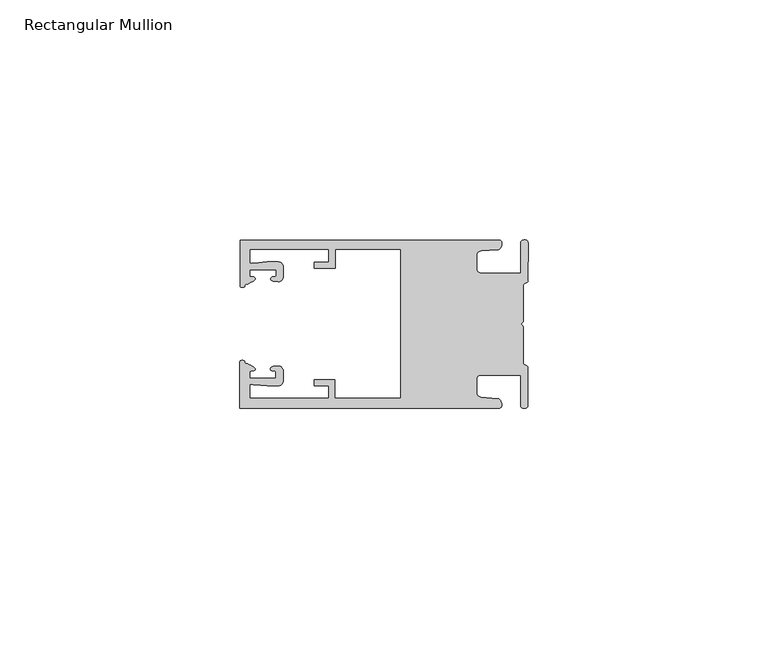
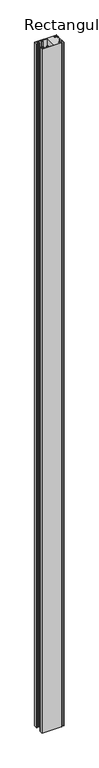
"""IFC4 building model written with IfcOpenShell, lengths in millimetres: member geometry, Rectangular Mullion."""

import ifcopenshell
import ifcopenshell.guid

model = None  # the IFC model being written
_history = None  # IfcOwnerHistory: only IFC2X3 demands one
_inside = {}  # id of a spatial element -> (the spatial element, [elements in it])
_under = {}  # id of a project, library or spatial element -> (it, [spatial elements below it])
_declared = {}  # id of a project -> (the project, [libraries it declares])
_typed = {}  # id of a type object -> (the type object, [elements of that type])
_made_of = {}  # id of a material, layer set ... -> (it, [elements and type objects made of it])


def new_model(schema):
    """Start an empty IFC model of exactly this schema.

    Asked for "IFC4X3", IfcOpenShell would pick the latest addendum, in which some entities
    have other attributes; the version numbers below select the first issue.
    IFC2X3 requires an IfcOwnerHistory on every rooted entity: one is made here for all.
    """
    global model, _history
    if schema == "IFC4X3":
        model = ifcopenshell.file(schema_version=(4, 3, 0, 0))
    else:
        model = ifcopenshell.file(schema=schema)
    _inside.clear()
    _under.clear()
    _declared.clear()
    _typed.clear()
    _made_of.clear()
    _history = None
    if model.schema == "IFC2X3":
        org = make("IfcOrganization", Name="unknown")
        user = make(
            "IfcPersonAndOrganization",
            ThePerson=make("IfcPerson", FamilyName="unknown"),
            TheOrganization=org,
        )
        app = make(
            "IfcApplication",
            ApplicationDeveloper=org,
            Version="unknown",
            ApplicationFullName="unknown",
            ApplicationIdentifier="unknown",
        )
        _history = make(
            "IfcOwnerHistory",
            OwningUser=user,
            OwningApplication=app,
            ChangeAction="ADDED",
            CreationDate=0,
        )
    return model


def make(cls, **values):
    """One entity of the class cls with the attributes given. An attribute that is None is left unset."""
    return model.create_entity(
        cls, **{name: value for name, value in values.items() if value is not None}
    )


def rooted(cls, **values):
    """An entity with a GlobalId (a new one), such as an element, a storey or a relation."""
    return make(cls, GlobalId=ifcopenshell.guid.new(), OwnerHistory=_history, **values)


def si_unit(unit_type, name, prefix=None):
    """IfcSIUnit, for example si_unit("LENGTHUNIT", "METRE", prefix="MILLI")."""
    return make("IfcSIUnit", UnitType=unit_type, Prefix=prefix, Name=name)


def assignment(units):
    """IfcUnitAssignment: the units of a project."""
    return None if units is None else make("IfcUnitAssignment", Units=units)


def point(xyz):
    """IfcCartesianPoint."""
    return None if xyz is None else make("IfcCartesianPoint", Coordinates=xyz)


def direction(xyz):
    """IfcDirection."""
    return None if xyz is None else make("IfcDirection", DirectionRatios=xyz)


def frame(location, z_axis=None, x_axis=None):
    """IfcAxis2Placement3D, a coordinate frame: its origin and axes. An axis left out is left unset."""
    return make(
        "IfcAxis2Placement3D",
        Location=point(location),
        Axis=direction(z_axis),
        RefDirection=direction(x_axis),
    )


def origin():
    """The frame at (0, 0, 0) with its axes left unset."""
    return frame((0.0, 0.0, 0.0))


def place(relative_to, where):
    """IfcLocalPlacement: puts the frame where relative to a parent placement (None: the world)."""
    return make(
        "IfcLocalPlacement", PlacementRelTo=relative_to, RelativePlacement=where
    )


def context(
    kind, dimensions, precision=None, world=None, true_north=None, identifier=None
):
    """IfcGeometricRepresentationContext, for example the 3D "Model" context."""
    return make(
        "IfcGeometricRepresentationContext",
        ContextIdentifier=identifier,
        ContextType=kind,
        CoordinateSpaceDimension=dimensions,
        Precision=precision,
        WorldCoordinateSystem=world,
        TrueNorth=true_north,
    )


def project(units=None, contexts=None):
    """IfcProject with its units and contexts."""
    return rooted(
        "IfcProject",
        Name="project",
        RepresentationContexts=contexts,
        UnitsInContext=assignment(units),
    )


def spatial(cls, under=None, at=None, **own):
    """A site, building, storey or space (cls), placed at a placement, below another one or the project."""
    s = rooted(cls, ObjectPlacement=at, **own)
    if under is not None:
        _under.setdefault(under.id(), (under, []))[1].append(s)
    return s


def circle_curve(where, radius):
    """IfcCircle in the frame where."""
    return make("IfcCircle", Position=where, Radius=radius)


def shape(context_of_items, identifier, shape_type, items):
    """IfcShapeRepresentation: the items that make up one representation, for example the "Body"."""
    return make(
        "IfcShapeRepresentation",
        ContextOfItems=context_of_items,
        RepresentationIdentifier=identifier,
        RepresentationType=shape_type,
        Items=items,
    )


def source(mapping_origin, context_of_items, identifier, shape_type, items):
    """IfcRepresentationMap: a shape defined once, which mapped items show again and again."""
    return make(
        "IfcRepresentationMap",
        MappingOrigin=mapping_origin,
        MappedRepresentation=shape(context_of_items, identifier, shape_type, items),
    )


def transform(
    local_origin,
    x_axis=None,
    y_axis=None,
    z_axis=None,
    scale=None,
    scale2=None,
    scale3=None,
    uniform=True,
):
    """IfcCartesianTransformationOperator3D, or its non-uniform kind. x_axis, y_axis, z_axis: its Axis1, 2, 3."""
    if uniform:
        return make(
            "IfcCartesianTransformationOperator3D",
            Axis1=direction(x_axis),
            Axis2=direction(y_axis),
            LocalOrigin=point(local_origin),
            Scale=scale,
            Axis3=direction(z_axis),
        )
    return make(
        "IfcCartesianTransformationOperator3DnonUniform",
        Axis1=direction(x_axis),
        Axis2=direction(y_axis),
        LocalOrigin=point(local_origin),
        Scale=scale,
        Axis3=direction(z_axis),
        Scale2=scale2,
        Scale3=scale3,
    )


def mapped(mapping_source, mapping_target):
    """IfcMappedItem: shows the shape of a source again, moved by a transform."""
    return make(
        "IfcMappedItem", MappingSource=mapping_source, MappingTarget=mapping_target
    )


def made_of(thing, what):
    """Note that an element or type object is made of a material, layer set ...; save() writes the relation."""
    if what is not None:
        _made_of.setdefault(what.id(), (what, []))[1].append(thing)
    return thing


def element(
    cls,
    number,
    at=None,
    inside=None,
    cuts=None,
    type_object=None,
    material=None,
    context=None,
    identifier="Body",
    shape_type=None,
    held_by="IfcProductDefinitionShape",
    body=None,
    shapes=None,
    **own,
):
    """One element of the class cls, such as IfcWall. Its Tag is "e" and its number.

    at: its placement. inside: the storey or other place that contains it. cuts: it is an
    opening in that element (IfcRelVoidsElement). A single representation is given by context,
    identifier, shape_type and body (its items); several are given by shapes. held_by: the class
    of the entity that holds the representations. save() writes the other relations.
    """
    e = rooted(cls, Tag="e%d" % number, ObjectPlacement=at, **own)
    if body is not None:
        shapes = [shape(context, identifier, shape_type, body)]
    if shapes is not None:
        e.Representation = make(held_by, Representations=shapes)
    if inside is not None:
        _inside.setdefault(inside.id(), (inside, []))[1].append(e)
    if cuts is not None:
        rooted(
            "IfcRelVoidsElement", RelatingBuildingElement=cuts, RelatedOpeningElement=e
        )
    if type_object is not None:
        _typed.setdefault(type_object.id(), (type_object, []))[1].append(e)
    return made_of(e, material)


def aggregate(whole, parts):
    """IfcRelAggregates: a whole, such as a stair, and the parts it consists of."""
    return rooted("IfcRelAggregates", RelatingObject=whole, RelatedObjects=parts)


def save(model, path):
    """Write the relations noted so far, then the file.

    IfcRelAggregates (storeys below a building ...), IfcRelContainedInSpatialStructure (elements
    in a storey), IfcRelDefinesByType, IfcRelAssociatesMaterial and IfcRelDeclares: one each for
    every whole, place, type object, material and project.
    """
    for whole, parts in _under.values():
        aggregate(whole, parts)
    for where, things in _inside.values():
        rooted(
            "IfcRelContainedInSpatialStructure",
            RelatedElements=things,
            RelatingStructure=where,
        )
    for kind, things in _typed.values():
        rooted("IfcRelDefinesByType", RelatedObjects=things, RelatingType=kind)
    for what, things in _made_of.values():
        rooted("IfcRelAssociatesMaterial", RelatedObjects=things, RelatingMaterial=what)
    for by, libraries in _declared.values():
        rooted("IfcRelDeclares", RelatingContext=by, RelatedDefinitions=libraries)
    model.write(path)


def plane_surface(at):
    """IfcPlane: the flat surface through the origin of the frame at, square to its z axis."""
    return make("IfcPlane", Position=at)


def cylinder_surface(at, radius):
    """IfcCylindricalSurface: all points at the distance radius from the z axis of the frame at."""
    return make("IfcCylindricalSurface", Position=at, Radius=radius)


def extruded_surface(curve, direction_of_extrusion, depth):
    """IfcSurfaceOfLinearExtrusion: the curve pushed along a direction by depth."""
    return make(
        "IfcSurfaceOfLinearExtrusion",
        SweptCurve=make("IfcArbitraryOpenProfileDef", ProfileType="CURVE", Curve=curve),
        ExtrudedDirection=direction(direction_of_extrusion),
        Depth=depth,
    )


def spline_curve(degree, points, multiplicities, knots, weights=None):
    """IfcBSplineCurveWithKnots; with weights, IfcRationalBSplineCurveWithKnots."""
    own = dict(
        Degree=degree,
        ControlPointsList=[point(p) for p in points],
        CurveForm="UNSPECIFIED",
        ClosedCurve=False,
        SelfIntersect=False,
        KnotMultiplicities=multiplicities,
        Knots=knots,
        KnotSpec="UNSPECIFIED",
    )
    if weights is None:
        return make("IfcBSplineCurveWithKnots", **own)
    return make("IfcRationalBSplineCurveWithKnots", WeightsData=weights, **own)


def advanced_brep(points, edges, surfaces, faces):
    """IfcAdvancedBrep: a solid bounded by faces that lie on surfaces and meet in shared edges.

    An edge is (start, end): straight between two places in points (the first is 0);
    or (start, end, curve); or (start, end, curve, False) where it runs against its curve.
    A face is (place in surfaces, loops), or (place, loops, False) where it looks against
    its surface's normal. A loop lists edges by number (the first is 1), with a minus sign
    where the edge is run from its end to its start. The first loop is the outer one.
    """
    corners = [point(p) for p in points]
    vertices = [make("IfcVertexPoint", VertexGeometry=c) for c in corners]
    made = []
    for start, end, *more in edges:
        made.append(
            make(
                "IfcEdgeCurve",
                EdgeStart=vertices[start],
                EdgeEnd=vertices[end],
                EdgeGeometry=more[0] if more else make("IfcPolyline", Points=[corners[start], corners[end]]),
                SameSense=more[1] if len(more) > 1 else True,
            )
        )
    hull = []
    for where, loops, *sense in faces:
        bounds = []
        for j, loop in enumerate(loops):
            ring = [make("IfcOrientedEdge", EdgeElement=made[abs(k) - 1], Orientation=k > 0) for k in loop]
            bounds.append(
                make(
                    "IfcFaceOuterBound" if j == 0 else "IfcFaceBound",
                    Bound=make("IfcEdgeLoop", EdgeList=ring),
                    Orientation=True,
                )
            )
        hull.append(make("IfcAdvancedFace", Bounds=bounds, FaceSurface=surfaces[where], SameSense=sense[0] if sense else True))
    return make("IfcAdvancedBrep", Outer=make("IfcClosedShell", CfsFaces=hull))


def rectangular_mullion_9fa61c9e(model_context):
    return source(origin(), model_context, "Body", "AdvancedBrep", [
        advanced_brep(
        [(-60.0749377, 17.5111528, 0.0), (-60.0749377, 8.0140787, 0.0), (-59.3252567, 7.7187455, 0.0), (-58.4967974, 8.36785, 0.0), (-58.0726619, 10.1173923, 0.0), (-58.0713101, 11.3673916, 0.0), (-52.5713133, 11.3614437, 0.0), (-52.5726651, 10.1114444, 0.0), (-53.1427626, 8.8955539, 0.0), (-52.0740172, 8.8609044, 0.0), (-51.0729364, 9.8598224, 0.0), (-51.0706653, 11.9598211, 0.0), (-52.0700692, 12.9609024, 0.0), (-54.3905105, 12.9622843, 0.0), (-57.1599646, 12.7230061, 0.0), (-58.0696339, 12.9173907, 0.0), (-58.066768, 15.5673891, 0.0), (-41.5667584, 15.5673891, 0.0), (-41.5695894, 12.9495468, 0.0), (-44.5695877, 12.9527912, 0.0), (-44.5709936, 11.6527919, 0.0), (-40.2709961, 11.6481417, 0.0), (-40.2667576, 15.5673891, 0.0), (-26.6002952, 15.5673891, 0.0), (-26.6002952, -15.4518424, 0.0), (-40.3003032, -15.4518424, 0.0), (-40.2960856, -11.5518447, 0.0), (-44.5960831, -11.5471945, 0.0), (-44.597489, -12.8471938, 0.0), (-41.5974907, -12.8504381, 0.0), (-41.6003025, -15.4504366, 0.0), (-58.1002928, -15.4325927, 0.0), (-58.097427, -12.7825943, 0.0), (-57.1873395, -12.5901776, 0.0), (-54.4184094, -12.8354453, 0.0), (-52.0979705, -12.8390822, 0.0), (-51.0964037, -11.8401649, 0.0), (-51.0941327, -9.7401662, 0.0), (-52.0930507, -8.7390853, 0.0), (-53.1618685, -8.7714231, 0.0), (-52.5944022, -9.9885439, 0.0), (-52.595754, -11.2385431, 0.0), (-58.0957508, -11.2325952, 0.0), (-58.094399, -9.9825959, 0.0), (-58.5147494, -8.2321403, 0.0), (-59.3418028, -7.5812455, 0.0), (-60.0921208, -7.8749565, 0.0), (-60.0921208, -17.4888267, 0.0), (-6.1024861, -17.4888267, 0.0), (-6.5218639, -15.488372, 0.0), (-9.8784944, -15.2205466, 0.0), (-10.7989567, -14.2226333, 0.0), (-10.7961029, -11.5837474, 0.0), (-9.8734844, -10.5878272, 0.0), (-1.5950266, -10.5934991, 0.0), (-1.601948, -16.9936935, 0.0), (-0.1017194, -16.7830581, 0.0), (-0.0933208, -9.0170082, 0.0), (-1.0923837, -8.1499018, 0.0), (-1.0842165, -0.5977972, 0.0), (-1.0829111, 0.6093089, 0.0), (-1.0747439, 8.1614135, 0.0), (-0.0738079, 9.026357, 0.0), (-0.0654093, 16.7924069, 0.0), (-1.5651789, 17.0062866, 0.0), (-1.5651789, 10.6183257, 0.0), (-9.8505511, 10.6183257, 0.0), (-10.7710133, 11.6162391, 0.0), (-10.7681595, 14.255125, 0.0), (-9.845541, 15.2510452, 0.0), (-6.4883391, 15.5116099, 0.0), (-6.0646356, 17.5111528, 0.0), (-60.0749377, 17.5111528, -1981.2), (-6.0646356, 17.5111528, -1981.2), (-6.4883391, 15.5116099, -1981.2), (-9.845541, 15.2510452, -1981.2), (-10.7681595, 14.255125, -1981.2), (-10.7710133, 11.6162391, -1981.2), (-9.8505511, 10.6183257, -1981.2), (-1.5651789, 10.6183257, -1981.2), (-1.5651789, 17.0062866, -1981.2), (-0.0654093, 16.7924069, -1981.2), (-0.0738079, 9.026357, -1981.2), (-1.0747439, 8.1614135, -1981.2), (-1.0829111, 0.6093089, -1981.2), (-1.0842165, -0.5977972, -1981.2), (-1.0923837, -8.1499018, -1981.2), (-0.0933208, -9.0170082, -1981.2), (-0.1017194, -16.7830581, -1981.2), (-1.601948, -16.9936935, -1981.2), (-1.5950266, -10.5934991, -1981.2), (-9.8734844, -10.5878272, -1981.2), (-10.7961029, -11.5837474, -1981.2), (-10.7989567, -14.2226333, -1981.2), (-9.8784944, -15.2205466, -1981.2), (-6.5218639, -15.488372, -1981.2), (-6.1024861, -17.4888267, -1981.2), (-60.0921208, -17.4888267, -1981.2), (-60.0921208, -7.8749565, -1981.2), (-59.3418028, -7.5812455, -1981.2), (-58.5147494, -8.2321403, -1981.2), (-58.094399, -9.9825959, -1981.2), (-58.0957508, -11.2325952, -1981.2), (-52.595754, -11.2385431, -1981.2), (-52.5944022, -9.9885439, -1981.2), (-53.1618685, -8.7714231, -1981.2), (-52.0930507, -8.7390853, -1981.2), (-51.0941327, -9.7401662, -1981.2), (-51.0964037, -11.8401649, -1981.2), (-52.0979705, -12.8390823, -1981.2), (-54.4184094, -12.8354453, -1981.2), (-57.1873395, -12.5901776, -1981.2), (-58.097427, -12.7825943, -1981.2), (-58.1002928, -15.4325927, -1981.2), (-41.6003025, -15.4504366, -1981.2), (-41.5974907, -12.8504381, -1981.2), (-44.597489, -12.8471938, -1981.2), (-44.5960831, -11.5471945, -1981.2), (-40.2960856, -11.5518447, -1981.2), (-40.3003032, -15.4518424, -1981.2), (-26.6002952, -15.4518424, -1981.2), (-26.6002952, 15.5673891, -1981.2), (-40.2667576, 15.5673891, -1981.2), (-40.2709961, 11.6481417, -1981.2), (-44.5709936, 11.6527919, -1981.2), (-44.5695877, 12.9527912, -1981.2), (-41.5695894, 12.9495468, -1981.2), (-41.5667584, 15.5673891, -1981.2), (-58.066768, 15.5673891, -1981.2), (-58.0696339, 12.9173907, -1981.2), (-57.1599646, 12.7230061, -1981.2), (-54.3905105, 12.9622843, -1981.2), (-52.0700692, 12.9609023, -1981.2), (-51.0706653, 11.9598211, -1981.2), (-51.0729364, 9.8598224, -1981.2), (-52.0740172, 8.8609044, -1981.2), (-53.1427626, 8.8955539, -1981.2), (-52.5726651, 10.1114444, -1981.2), (-52.5713133, 11.3614437, -1981.2), (-58.0713101, 11.3673916, -1981.2), (-58.0726619, 10.1173923, -1981.2), (-58.4967974, 8.36785, -1981.2), (-59.3252567, 7.7187455, -1981.2), (-60.0749377, 8.0140787, -1981.2)],
        [
            (0, 1),
            (1, 2, spline_curve(3, [(-60.0749377, 8.0140787, 0.0), (-60.075233123, 7.740904774, 0.0), (-59.825339491, 7.642460332, 0.0), (-59.3252567, 7.7187455, 0.0)], [4, 4], [0.0, 0.0019169337574178654])),
            (2, 3, spline_curve(3, [(-59.3252567, 7.7187455, 0.0), (-59.094460914, 7.75918372, 0.0), (-59.054835463, 7.902257199, 0.0), (-59.05559987, 8.233305614, 0.0), (-59.138729113, 8.4134359, 0.0), (-58.4967974, 8.36785, 0.0)], [4, 2, 4], [0.0, 0.0010199524164107188, 0.0024874514725970356])),
            (3, 4, spline_curve(3, [(-58.4967974, 8.36785, 0.0), (-57.022393378, 9.053435667, 0.0), (-56.827266887, 9.364828726, 0.0), (-56.982213078, 9.742623404, 0.0), (-57.177375211, 9.855581791, 0.0), (-57.697928101, 9.887955071, 0.0), (-57.997449153, 9.835475348, 0.0), (-58.0726619, 10.1173923, 0.0)], [4, 2, 2, 4], [0.0, 0.003269869179570428, 0.005490050486237203, 0.0073545767114364426])),
            (4, 5),
            (5, 6),
            (6, 7),
            (7, 8, spline_curve(3, [(-52.5726651, 10.1114444, 0.0), (-52.667195519, 9.760172042, 0.0), (-52.937094388, 9.861877724, 0.0), (-53.356237032, 9.895631753, 0.0), (-53.491940439, 9.811038713, 0.0), (-53.761900775, 9.511438033, 0.0), (-53.892893546, 9.278787104, 0.0), (-53.1427626, 8.8955539, 0.0)], [4, 2, 2, 4], [0.0, 0.001593963049934732, 0.0033360256320283306, 0.005339140673503943])),
            (8, 9),
            (9, 10, circle_curve(frame((-52.0729358, 9.8609038, 0.0), z_axis=(0.0, 0.0, 1.0), x_axis=(-0.0010814451158600304, -0.9999994152380598, 0.0)), 1.0)),
            (10, 11),
            (11, 12, circle_curve(frame((-52.0706647, 11.9609026, 0.0), z_axis=(0.0, 0.0, 1.0), x_axis=(-0.0010814451158600304, -0.9999994152380598, 0.0)), 1.0)),
            (12, 13),
            (13, 14),
            (14, 15, spline_curve(3, [(-57.1599646, 12.7230061, 0.0), (-57.631533854, 12.682262968, 0.0), (-58.018602985, 12.477800124, 0.0), (-58.0696339, 12.9173907, 0.0)], [4, 4], [0.0, 0.0014803385355886016])),
            (15, 16),
            (16, 17),
            (17, 18),
            (18, 19),
            (19, 20),
            (20, 21),
            (21, 22),
            (22, 23),
            (23, 24),
            (24, 25),
            (25, 26),
            (26, 27),
            (27, 28),
            (28, 29),
            (29, 30),
            (30, 31),
            (31, 32),
            (32, 33, spline_curve(3, [(-58.097427, -12.7825943, 0.0), (-58.045445419, -12.343115126, 0.0), (-57.658819528, -12.548414611, 0.0), (-57.1873395, -12.5901776, 0.0)], [4, 4], [0.0, 0.0014803385355886016])),
            (33, 34),
            (34, 35),
            (35, 36, circle_curve(frame((-52.0964031, -11.8390835, 0.0), z_axis=(0.0, 0.0, 1.0), x_axis=(0.0010814451158600304, 0.9999994152380598, 0.0)), 1.0)),
            (36, 37),
            (37, 38, circle_curve(frame((-52.0941321, -9.7390847, 0.0), z_axis=(0.0, 0.0, 1.0), x_axis=(0.0010814451158600304, 0.9999994152380598, 0.0)), 1.0)),
            (38, 39),
            (39, 40, spline_curve(3, [(-53.1618685, -8.7714231, 0.0), (-53.912826582, -9.153032958, 0.0), (-53.782337352, -9.385966711, 0.0), (-53.51302565, -9.686150585, 0.0), (-53.377505444, -9.771037009, 0.0), (-52.958290774, -9.738189618, 0.0), (-52.688172635, -9.637067904, 0.0), (-52.5944022, -9.9885439, 0.0)], [4, 2, 2, 4], [0.0, 0.002003115041475612, 0.0037451776235692107, 0.005339140673503943])),
            (40, 41),
            (41, 42),
            (42, 43),
            (43, 44, spline_curve(3, [(-58.094399, -9.9825959, 0.0), (-58.018576674, -9.700842284, 0.0), (-57.719169706, -9.753969703, 0.0), (-57.198548014, -9.722722397, 0.0), (-57.003142178, -9.61018632, 0.0), (-56.847379222, -9.232727657, 0.0), (-57.041831673, -8.920913336, 0.0), (-58.5147494, -8.2321403, 0.0)], [4, 2, 2, 4], [0.0, 0.0018645262251992395, 0.004084707531866015, 0.0073545767114364426])),
            (44, 45, spline_curve(3, [(-58.5147494, -8.2321403, 0.0), (-59.156778208, -8.276337666, 0.0), (-59.073259494, -8.096387681, 0.0), (-59.071779067, -7.765341694, 0.0), (-59.111095017, -7.622182811, 0.0), (-59.3418028, -7.5812455, 0.0)], [4, 2, 4], [0.0, 0.0014674990561863168, 0.0024874514725970356])),
            (45, 46, spline_curve(3, [(-59.3418028, -7.5812455, 0.0), (-59.841719425, -7.503878887, 0.0), (-60.091825377, -7.601782574, 0.0), (-60.0921208, -7.8749565, 0.0)], [4, 4], [0.0, 0.0019169337574178654])),
            (46, 47),
            (47, 48),
            (48, 49, spline_curve(3, [(-6.1024861, -17.4888267, 0.0), (-5.074532184, -17.418062188, 0.0), (-5.631140689, -15.411414367, 0.0), (-6.5218639, -15.488372, 0.0)], [4, 4], [0.0, 0.0043819361547461745])),
            (49, 50),
            (50, 51, spline_curve(3, [(-9.8784944, -15.2205466, 0.0), (-10.440691543, -15.150698463, 0.0), (-10.74751234, -14.818060727, 0.0), (-10.7989567, -14.2226333, 0.0)], [4, 4], [0.0, 0.0028645797420738927])),
            (51, 52),
            (52, 53, spline_curve(3, [(-10.7961029, -11.5837474, 0.0), (-10.743370817, -10.988432634, 0.0), (-10.435831301, -10.656459204, 0.0), (-9.8734844, -10.5878272, 0.0)], [4, 4], [0.0, 0.0028645797420738927])),
            (53, 54),
            (54, 55),
            (55, 56, spline_curve(3, [(-1.601948, -16.9936935, 0.0), (-1.655676874, -17.600261454, 0.0), (-0.043737403, -17.912795581, 0.0), (-0.1017194, -16.7830581, 0.0)], [4, 4], [0.0, 0.0036987374396357936])),
            (56, 57),
            (57, 58, spline_curve(3, [(-0.0933208, -9.0170082, 0.0), (-0.018818183, -8.695886697, 0.0), (-1.193434327, -8.459763043, 0.0), (-1.0923837, -8.1499018, 0.0)], [4, 4], [0.0, 0.002027216749630121])),
            (58, 59),
            (59, 60, spline_curve(3, [(-1.0842165, -0.5977972, 0.0), (-1.013223198, -0.445980437, 0.0), (-1.487945123, -0.206736825, 0.0), (-1.487409651, 0.231097965, 0.0), (-0.999110985, 0.429090391, 0.0), (-1.0829111, 0.6093089, 0.0)], [4, 2, 4], [0.0, 0.00249866671847065, 0.005031402919736269])),
            (60, 61),
            (61, 62, spline_curve(3, [(-1.0747439, 8.1614135, 0.0), (-1.175124095, 8.47149258, 0.0), (-7e-09, 8.705075107, 0.0), (-0.0738079, 9.026357, 0.0)], [4, 4], [0.0, 0.002027216749630121])),
            (62, 63),
            (63, 64, spline_curve(3, [(-0.0654093, 16.7924069, 0.0), (-0.004983942, 17.92201633, 0.0), (-1.617595709, 17.612969344, 0.0), (-1.5651789, 17.0062866, 0.0)], [4, 4], [0.0, 0.0036987374396357936])),
            (64, 65),
            (65, 66),
            (66, 67, spline_curve(3, [(-9.8505511, 10.6183257, 0.0), (-10.412748243, 10.688173837, 0.0), (-10.71956894, 11.020811673, 0.0), (-10.7710133, 11.6162391, 0.0)], [4, 4], [0.0, 0.0028645797420738927])),
            (67, 68),
            (68, 69, spline_curve(3, [(-10.7681595, 14.255125, 0.0), (-10.715427417, 14.850439766, 0.0), (-10.407887901, 15.182413196, 0.0), (-9.845541, 15.2510452, 0.0)], [4, 4], [0.0, 0.0028645797420738927])),
            (69, 70),
            (70, 71, spline_curve(3, [(-6.4883391, 15.5116099, 0.0), (-5.597784423, 15.432725911, 0.0), (-5.036837144, 17.438165103, 0.0), (-6.0646356, 17.5111528, 0.0)], [4, 4], [0.0, 0.0043819361547461745])),
            (71, 0),
            (72, 73),
            (73, 74, spline_curve(3, [(-6.0646356, 17.5111528, -1981.2), (-5.036837144, 17.438165103, -1981.2), (-5.597784423, 15.432725911, -1981.2), (-6.4883391, 15.5116099, -1981.2)], [4, 4], [0.0, 0.0043819361547461745])),
            (74, 75),
            (75, 76, spline_curve(3, [(-9.845541, 15.2510452, -1981.2), (-10.407887901, 15.182413196, -1981.2), (-10.715427417, 14.850439766, -1981.2), (-10.7681595, 14.255125, -1981.2)], [4, 4], [0.0, 0.0028645797420738927])),
            (76, 77),
            (77, 78, spline_curve(3, [(-10.7710133, 11.6162391, -1981.2), (-10.71956894, 11.020811673, -1981.2), (-10.412748243, 10.688173837, -1981.2), (-9.8505511, 10.6183257, -1981.2)], [4, 4], [0.0, 0.0028645797420738927])),
            (78, 79),
            (79, 80),
            (80, 81, spline_curve(3, [(-1.5651789, 17.0062866, -1981.2), (-1.617595709, 17.612969344, -1981.2), (-0.004983942, 17.92201633, -1981.2), (-0.0654093, 16.7924069, -1981.2)], [4, 4], [0.0, 0.0036987374396357936])),
            (81, 82),
            (82, 83, spline_curve(3, [(-0.0738079, 9.026357, -1981.2), (-7e-09, 8.705075107, -1981.2), (-1.175124095, 8.47149258, -1981.2), (-1.0747439, 8.1614135, -1981.2)], [4, 4], [0.0, 0.002027216749630121])),
            (83, 84),
            (84, 85, spline_curve(3, [(-1.0829111, 0.6093089, -1981.2), (-0.999110985, 0.429090391, -1981.2), (-1.487409651, 0.231097965, -1981.2), (-1.487945123, -0.206736825, -1981.2), (-1.013223198, -0.445980437, -1981.2), (-1.0842165, -0.5977972, -1981.2)], [4, 2, 4], [0.0, 0.002532736201265619, 0.005031402919736269])),
            (85, 86),
            (86, 87, spline_curve(3, [(-1.0923837, -8.1499018, -1981.2), (-1.193434327, -8.459763043, -1981.2), (-0.018818183, -8.695886697, -1981.2), (-0.0933208, -9.0170082, -1981.2)], [4, 4], [0.0, 0.002027216749630121])),
            (87, 88),
            (88, 89, spline_curve(3, [(-0.1017194, -16.7830581, -1981.2), (-0.043737403, -17.912795581, -1981.2), (-1.655676874, -17.600261454, -1981.2), (-1.601948, -16.9936935, -1981.2)], [4, 4], [0.0, 0.0036987374396357936])),
            (89, 90),
            (90, 91),
            (91, 92, spline_curve(3, [(-9.8734844, -10.5878272, -1981.2), (-10.435831301, -10.656459204, -1981.2), (-10.743370817, -10.988432634, -1981.2), (-10.7961029, -11.5837474, -1981.2)], [4, 4], [0.0, 0.0028645797420738927])),
            (92, 93),
            (93, 94, spline_curve(3, [(-10.7989567, -14.2226333, -1981.2), (-10.74751234, -14.818060727, -1981.2), (-10.440691543, -15.150698463, -1981.2), (-9.8784944, -15.2205466, -1981.2)], [4, 4], [0.0, 0.0028645797420738927])),
            (94, 95),
            (95, 96, spline_curve(3, [(-6.5218639, -15.488372, -1981.2), (-5.631140689, -15.411414367, -1981.2), (-5.074532184, -17.418062188, -1981.2), (-6.1024861, -17.4888267, -1981.2)], [4, 4], [0.0, 0.0043819361547461745])),
            (96, 97),
            (97, 98),
            (98, 99, spline_curve(3, [(-60.0921208, -7.8749565, -1981.2), (-60.091825377, -7.601782574, -1981.2), (-59.841719425, -7.503878887, -1981.2), (-59.3418028, -7.5812455, -1981.2)], [4, 4], [0.0, 0.0019169337574178654])),
            (99, 100, spline_curve(3, [(-59.3418028, -7.5812455, -1981.2), (-59.111095017, -7.622182811, -1981.2), (-59.071779067, -7.765341694, -1981.2), (-59.073259494, -8.096387681, -1981.2), (-59.156778208, -8.276337666, -1981.2), (-58.5147494, -8.2321403, -1981.2)], [4, 2, 4], [0.0, 0.0010199524164107188, 0.0024874514725970356])),
            (100, 101, spline_curve(3, [(-58.5147494, -8.2321403, -1981.2), (-57.041831673, -8.920913336, -1981.2), (-56.847379222, -9.232727657, -1981.2), (-57.003142178, -9.61018632, -1981.2), (-57.198548014, -9.722722397, -1981.2), (-57.719169706, -9.753969703, -1981.2), (-58.018576674, -9.700842284, -1981.2), (-58.094399, -9.9825959, -1981.2)], [4, 2, 2, 4], [0.0, 0.003269869179570428, 0.005490050486237203, 0.0073545767114364426])),
            (101, 102),
            (102, 103),
            (103, 104),
            (104, 105, spline_curve(3, [(-52.5944022, -9.9885439, -1981.2), (-52.688172635, -9.637067904, -1981.2), (-52.958290774, -9.738189618, -1981.2), (-53.377505444, -9.771037009, -1981.2), (-53.51302565, -9.686150585, -1981.2), (-53.782337352, -9.385966711, -1981.2), (-53.912826582, -9.153032958, -1981.2), (-53.1618685, -8.7714231, -1981.2)], [4, 2, 2, 4], [0.0, 0.001593963049934732, 0.0033360256320283306, 0.005339140673503943])),
            (105, 106),
            (106, 107, circle_curve(frame((-52.0941321, -9.7390847, -1981.2), z_axis=(0.0, 0.0, -1.0), x_axis=(0.0010814451158600304, 0.9999994152380598, 0.0)), 1.0)),
            (107, 108),
            (108, 109, circle_curve(frame((-52.0964031, -11.8390835, -1981.2), z_axis=(0.0, 0.0, -1.0), x_axis=(0.0010814451158600304, 0.9999994152380598, 0.0)), 1.0)),
            (109, 110),
            (110, 111),
            (111, 112, spline_curve(3, [(-57.1873395, -12.5901776, -1981.2), (-57.658819528, -12.548414611, -1981.2), (-58.045445419, -12.343115126, -1981.2), (-58.097427, -12.7825943, -1981.2)], [4, 4], [0.0, 0.0014803385355886016])),
            (112, 113),
            (113, 114),
            (114, 115),
            (115, 116),
            (116, 117),
            (117, 118),
            (118, 119),
            (119, 120),
            (120, 121),
            (121, 122),
            (122, 123),
            (123, 124),
            (124, 125),
            (125, 126),
            (126, 127),
            (127, 128),
            (128, 129),
            (129, 130, spline_curve(3, [(-58.0696339, 12.9173907, -1981.2), (-58.018602985, 12.477800124, -1981.2), (-57.631533854, 12.682262968, -1981.2), (-57.1599646, 12.7230061, -1981.2)], [4, 4], [0.0, 0.0014803385355886016])),
            (130, 131),
            (131, 132),
            (132, 133, circle_curve(frame((-52.0706647, 11.9609026, -1981.2), z_axis=(0.0, 0.0, -1.0), x_axis=(-0.0010814451158600304, -0.9999994152380598, 0.0)), 1.0)),
            (133, 134),
            (134, 135, circle_curve(frame((-52.0729358, 9.8609038, -1981.2), z_axis=(0.0, 0.0, -1.0), x_axis=(-0.0010814451158600304, -0.9999994152380598, 0.0)), 1.0)),
            (135, 136),
            (136, 137, spline_curve(3, [(-53.1427626, 8.8955539, -1981.2), (-53.892893546, 9.278787104, -1981.2), (-53.761900775, 9.511438033, -1981.2), (-53.491940439, 9.811038713, -1981.2), (-53.356237032, 9.895631753, -1981.2), (-52.937094388, 9.861877724, -1981.2), (-52.667195519, 9.760172042, -1981.2), (-52.5726651, 10.1114444, -1981.2)], [4, 2, 2, 4], [0.0, 0.002003115041475612, 0.0037451776235692107, 0.005339140673503943])),
            (137, 138),
            (138, 139),
            (139, 140),
            (140, 141, spline_curve(3, [(-58.0726619, 10.1173923, -1981.2), (-57.997449153, 9.835475348, -1981.2), (-57.697928101, 9.887955071, -1981.2), (-57.177375211, 9.855581791, -1981.2), (-56.982213078, 9.742623404, -1981.2), (-56.827266887, 9.364828726, -1981.2), (-57.022393378, 9.053435667, -1981.2), (-58.4967974, 8.36785, -1981.2)], [4, 2, 2, 4], [0.0, 0.0018645262251992395, 0.004084707531866015, 0.0073545767114364426])),
            (141, 142, spline_curve(3, [(-58.4967974, 8.36785, -1981.2), (-59.138729113, 8.4134359, -1981.2), (-59.05559987, 8.233305614, -1981.2), (-59.054835463, 7.902257199, -1981.2), (-59.094460914, 7.75918372, -1981.2), (-59.3252567, 7.7187455, -1981.2)], [4, 2, 4], [0.0, 0.0014674990561863168, 0.0024874514725970356])),
            (142, 143, spline_curve(3, [(-59.3252567, 7.7187455, -1981.2), (-59.825339491, 7.642460332, -1981.2), (-60.075233123, 7.740904774, -1981.2), (-60.0749377, 8.0140787, -1981.2)], [4, 4], [0.0, 0.0019169337574178654])),
            (143, 72),
            (0, 72),
            (143, 1),
            (142, 2),
            (141, 3),
            (140, 4),
            (139, 5),
            (138, 6),
            (137, 7),
            (136, 8),
            (135, 9),
            (134, 10),
            (133, 11),
            (132, 12),
            (131, 13),
            (130, 14),
            (129, 15),
            (128, 16),
            (127, 17),
            (126, 18),
            (125, 19),
            (124, 20),
            (123, 21),
            (122, 22),
            (121, 23),
            (120, 24),
            (119, 25),
            (118, 26),
            (117, 27),
            (116, 28),
            (115, 29),
            (114, 30),
            (113, 31),
            (112, 32),
            (111, 33),
            (110, 34),
            (109, 35),
            (108, 36),
            (107, 37),
            (106, 38),
            (105, 39),
            (104, 40),
            (103, 41),
            (102, 42),
            (101, 43),
            (100, 44),
            (99, 45),
            (98, 46),
            (97, 47),
            (96, 48),
            (95, 49),
            (94, 50),
            (93, 51),
            (92, 52),
            (91, 53),
            (90, 54),
            (89, 55),
            (88, 56),
            (87, 57),
            (86, 58),
            (85, 59),
            (84, 60),
            (83, 61),
            (82, 62),
            (81, 63),
            (80, 64),
            (79, 65),
            (78, 66),
            (77, 67),
            (76, 68),
            (75, 69),
            (74, 70),
            (73, 71),
        ],
        [
            plane_surface(frame((0.0, -62.5853181, 0.0), z_axis=(0.0, 0.0, 1.0), x_axis=(-1.0, 0.0, 0.0))),
            plane_surface(frame((0.0, -62.5853181, -1981.2), z_axis=(0.0, 0.0, -1.0), x_axis=(-1.0, 0.0, 0.0))),
            plane_surface(frame((-60.0749377, 17.5111528, 0.0), z_axis=(-1.0, 0.0, 0.0), x_axis=(0.0, 0.0, -1.0))),
            extruded_surface(spline_curve(3, [(-60.0749377, 8.0140787, -1981.2), (-60.075233123, 7.740904774, -1981.2), (-59.825339491, 7.642460332, -1981.2), (-59.3252567, 7.7187455, -1981.2)], [4, 4], [0.0, 0.0019169337574178654]), (0.0, 0.0, 1981.2), 1981.2),
            extruded_surface(spline_curve(3, [(-59.3252567, 7.7187455, -1981.2), (-59.094460914, 7.75918372, -1981.2), (-59.054835463, 7.902257199, -1981.2), (-59.05559987, 8.233305614, -1981.2), (-59.138729113, 8.4134359, -1981.2), (-58.4967974, 8.36785, -1981.2)], [4, 2, 4], [0.0, 0.0010199524164107188, 0.0024874514725970356]), (0.0, 0.0, 1981.2), 1981.2),
            extruded_surface(spline_curve(3, [(-58.4967974, 8.36785, -1981.2), (-57.022393378, 9.053435667, -1981.2), (-56.827266887, 9.364828726, -1981.2), (-56.982213078, 9.742623404, -1981.2), (-57.177375211, 9.855581791, -1981.2), (-57.697928101, 9.887955071, -1981.2), (-57.997449153, 9.835475348, -1981.2), (-58.0726619, 10.1173923, -1981.2)], [4, 2, 2, 4], [0.0, 0.003269869179570428, 0.005490050486237203, 0.0073545767114364426]), (0.0, 0.0, 1981.2), 1981.2),
            plane_surface(frame((-58.0726619, 10.1173923, 0.0), z_axis=(0.9999994152380598, -0.0010814451158634145, 0.0), x_axis=(0.0, 0.0, -1.0))),
            plane_surface(frame((-58.0713101, 11.3673916, 0.0), z_axis=(-0.0010814451158616418, -0.9999994152380598, 0.0), x_axis=(0.0, 0.0, -1.0))),
            plane_surface(frame((-52.5713133, 11.3614437, 0.0), z_axis=(-0.9999994152380598, 0.0010814451158643293, 0.0), x_axis=(0.0, 0.0, -1.0))),
            extruded_surface(spline_curve(3, [(-52.5726651, 10.1114444, -1981.2), (-52.667195519, 9.760172042, -1981.2), (-52.937094388, 9.861877724, -1981.2), (-53.356237032, 9.895631753, -1981.2), (-53.491940439, 9.811038713, -1981.2), (-53.761900775, 9.511438033, -1981.2), (-53.892893546, 9.278787104, -1981.2), (-53.1427626, 8.8955539, -1981.2)], [4, 2, 2, 4], [0.0, 0.001593963049934732, 0.0033360256320283306, 0.005339140673503943]), (0.0, 0.0, 1981.2), 1981.2),
            plane_surface(frame((-53.1427626, 8.8955539, 0.0), z_axis=(-0.032403661401520414, -0.9994748634797054, 0.0), x_axis=(0.0, 0.0, -1.0))),
            cylinder_surface(frame((-52.0729358, 9.8609038, 0.0), z_axis=(0.0, 0.0, 1.0000000000000002), x_axis=(-0.0010814451158600304, -0.9999994152380598, 0.0)), 1.0),
            plane_surface(frame((-51.0729364, 9.8598224, 0.0), z_axis=(0.9999994152380598, -0.001081445115864059, 0.0), x_axis=(0.0, 0.0, -1.0))),
            cylinder_surface(frame((-52.0706647, 11.9609026, 0.0), z_axis=(0.0, 0.0, 1.0000000000000002), x_axis=(-0.0010814451158600304, -0.9999994152380598, 0.0)), 1.0),
            plane_surface(frame((-52.0700692, 12.9609023, 0.0), z_axis=(0.0005955716436318007, 0.999999822647193, 0.0), x_axis=(0.0, 0.0, -1.0))),
            plane_surface(frame((-54.3905105, 12.9622843, 0.0), z_axis=(-0.08607836189159865, 0.9962883697073147, 0.0), x_axis=(0.0, 0.0, -1.0))),
            extruded_surface(spline_curve(3, [(-57.1599646, 12.7230061, -1981.2), (-57.631533854, 12.682262968, -1981.2), (-58.018602985, 12.477800124, -1981.2), (-58.0696339, 12.9173907, -1981.2)], [4, 4], [0.0, 0.0014803385355886016]), (0.0, 0.0, 1981.2), 1981.2),
            plane_surface(frame((-58.0696339, 12.9173907, 0.0), z_axis=(0.9999994152380598, -0.0010814451158629996, 0.0), x_axis=(0.0, 0.0, -1.0))),
            plane_surface(frame((-58.066768, 15.5673891, 0.0), z_axis=(0.0, -1.0, 0.0), x_axis=(0.0, 0.0, -1.0))),
            plane_surface(frame((-41.5667584, 15.5673891, 0.0), z_axis=(-0.9999994152380598, 0.0010814451158636304, 0.0), x_axis=(0.0, 0.0, -1.0))),
            plane_surface(frame((-41.5695894, 12.9495468, 0.0), z_axis=(0.0010814451158615687, 0.9999994152380598, 0.0), x_axis=(0.0, 0.0, -1.0))),
            plane_surface(frame((-44.5695877, 12.9527912, 0.0), z_axis=(-0.9999994152380598, 0.0010814451158626742, 0.0), x_axis=(0.0, 0.0, -1.0))),
            plane_surface(frame((-44.5709936, 11.6527919, 0.0), z_axis=(-0.001081445115861604, -0.9999994152380598, 0.0), x_axis=(0.0, 0.0, -1.0))),
            plane_surface(frame((-40.2709961, 11.6481417, 0.0), z_axis=(0.9999994152380598, -0.001081445115863507, 0.0), x_axis=(0.0, 0.0, -1.0))),
            plane_surface(frame((-40.2667576, 15.5673891, 0.0), z_axis=(0.0, -1.0, 0.0), x_axis=(0.0, 0.0, -1.0))),
            plane_surface(frame((-26.6002952, 15.5673891, 0.0), z_axis=(-1.0, 0.0, 0.0), x_axis=(0.0, 0.0, -1.0))),
            plane_surface(frame((-26.6002952, -15.4518424, 0.0), z_axis=(0.0, 1.0, 0.0), x_axis=(0.0, 0.0, -1.0))),
            plane_surface(frame((-40.3003032, -15.4518424, 0.0), z_axis=(0.9999994152380598, -0.0010814451158565538, 0.0), x_axis=(0.0, 0.0, -1.0))),
            plane_surface(frame((-40.2960856, -11.5518447, 0.0), z_axis=(0.0010814451158584568, 0.9999994152380598, 0.0), x_axis=(0.0, 0.0, -1.0))),
            plane_surface(frame((-44.5960831, -11.5471945, 0.0), z_axis=(-0.9999994152380598, 0.0010814451158573867, 0.0), x_axis=(0.0, 0.0, -1.0))),
            plane_surface(frame((-44.597489, -12.8471938, 0.0), z_axis=(-0.0010814451158584922, -0.9999994152380598, 0.0), x_axis=(0.0, 0.0, -1.0))),
            plane_surface(frame((-41.5974907, -12.8504381, 0.0), z_axis=(-0.9999994152380598, 0.0010814451158564305, 0.0), x_axis=(0.0, 0.0, -1.0))),
            plane_surface(frame((-41.6003025, -15.4504366, 0.0), z_axis=(0.0010814451158583872, 0.9999994152380598, 0.0), x_axis=(0.0, 0.0, -1.0))),
            plane_surface(frame((-58.1002928, -15.4325927, 0.0), z_axis=(0.9999994152380598, -0.0010814451158570612, 0.0), x_axis=(0.0, 0.0, -1.0))),
            extruded_surface(spline_curve(3, [(-58.097427, -12.7825943, -1981.2), (-58.045445419, -12.343115126, -1981.2), (-57.658819528, -12.548414611, -1981.2), (-57.1873395, -12.5901776, -1981.2)], [4, 4], [0.0, 0.0014803385355886016]), (0.0, 0.0, 1981.2), 1981.2),
            plane_surface(frame((-57.1873395, -12.5901776, 0.0), z_axis=(-0.0882330216729926, -0.9960998614026876, 0.0), x_axis=(0.0, 0.0, -1.0))),
            plane_surface(frame((-54.4184094, -12.8354453, 0.0), z_axis=(-0.0015673183327880543, -0.9999987717558677, 0.0), x_axis=(0.0, 0.0, -1.0))),
            cylinder_surface(frame((-52.0964031, -11.8390835, 0.0), z_axis=(0.0, 0.0, 1.0000000000000002), x_axis=(0.0010814451158600304, 0.9999994152380598, 0.0)), 1.0),
            plane_surface(frame((-51.0964037, -11.8401649, 0.0), z_axis=(0.9999994152380598, -0.001081445115856002, 0.0), x_axis=(0.0, 0.0, -1.0))),
            cylinder_surface(frame((-52.0941321, -9.7390847, 0.0), z_axis=(0.0, 0.0, 1.0000000000000002), x_axis=(0.0010814451158600304, 0.9999994152380598, 0.0)), 1.0),
            plane_surface(frame((-52.0930507, -8.7390853, 0.0), z_axis=(-0.030241832452872642, 0.9995426111826812, 0.0), x_axis=(0.0, 0.0, -1.0))),
            extruded_surface(spline_curve(3, [(-53.1618685, -8.7714231, -1981.2), (-53.912826582, -9.153032958, -1981.2), (-53.782337352, -9.385966711, -1981.2), (-53.51302565, -9.686150585, -1981.2), (-53.377505444, -9.771037009, -1981.2), (-52.958290774, -9.738189618, -1981.2), (-52.688172635, -9.637067904, -1981.2), (-52.5944022, -9.9885439, -1981.2)], [4, 2, 2, 4], [0.0, 0.002003115041475612, 0.0037451776235692107, 0.005339140673503943]), (0.0, 0.0, 1981.2), 1981.2),
            plane_surface(frame((-52.5944022, -9.9885439, 0.0), z_axis=(-0.9999994152380598, 0.0010814451158557316, 0.0), x_axis=(0.0, 0.0, -1.0))),
            plane_surface(frame((-52.595754, -11.2385431, 0.0), z_axis=(0.001081445115858419, 0.9999994152380598, 0.0), x_axis=(0.0, 0.0, -1.0))),
            plane_surface(frame((-58.0957508, -11.2325952, 0.0), z_axis=(0.9999994152380598, -0.0010814451158566464, 0.0), x_axis=(0.0, 0.0, -1.0))),
            extruded_surface(spline_curve(3, [(-58.094399, -9.9825959, -1981.2), (-58.018576674, -9.700842284, -1981.2), (-57.719169706, -9.753969703, -1981.2), (-57.198548014, -9.722722397, -1981.2), (-57.003142178, -9.61018632, -1981.2), (-56.847379222, -9.232727657, -1981.2), (-57.041831673, -8.920913336, -1981.2), (-58.5147494, -8.2321403, -1981.2)], [4, 2, 2, 4], [0.0, 0.0018645262251992395, 0.004084707531866015, 0.0073545767114364426]), (0.0, 0.0, 1981.2), 1981.2),
            extruded_surface(spline_curve(3, [(-58.5147494, -8.2321403, -1981.2), (-59.156778208, -8.276337666, -1981.2), (-59.073259494, -8.096387681, -1981.2), (-59.071779067, -7.765341694, -1981.2), (-59.111095017, -7.622182811, -1981.2), (-59.3418028, -7.5812455, -1981.2)], [4, 2, 4], [0.0, 0.0014674990561863168, 0.0024874514725970356]), (0.0, 0.0, 1981.2), 1981.2),
            extruded_surface(spline_curve(3, [(-59.3418028, -7.5812455, -1981.2), (-59.841719425, -7.503878887, -1981.2), (-60.091825377, -7.601782574, -1981.2), (-60.0921208, -7.8749565, -1981.2)], [4, 4], [0.0, 0.0019169337574178654]), (0.0, 0.0, 1981.2), 1981.2),
            plane_surface(frame((-60.0921208, -7.8749565, 0.0), z_axis=(-1.0, 0.0, 0.0), x_axis=(0.0, 0.0, -1.0))),
            plane_surface(frame((-60.0921208, -17.4888267, 0.0), z_axis=(0.0, -1.0, 0.0), x_axis=(0.0, 0.0, -1.0))),
            extruded_surface(spline_curve(3, [(-6.1024861, -17.4888267, -1981.2), (-5.074532184, -17.418062188, -1981.2), (-5.631140689, -15.411414367, -1981.2), (-6.5218639, -15.488372, -1981.2)], [4, 4], [0.0, 0.0043819361547461745]), (0.0, 0.0, 1981.2), 1981.2),
            plane_surface(frame((-6.5218639, -15.488372, 0.0), z_axis=(0.07953716124904908, 0.9968319015663789, 0.0), x_axis=(0.0, 0.0, -1.0))),
            extruded_surface(spline_curve(3, [(-9.8784944, -15.2205466, -1981.2), (-10.440691543, -15.150698463, -1981.2), (-10.74751234, -14.818060727, -1981.2), (-10.7989567, -14.2226333, -1981.2)], [4, 4], [0.0, 0.0028645797420738927]), (0.0, 0.0, 1981.2), 1981.2),
            plane_surface(frame((-10.7989567, -14.2226333, 0.0), z_axis=(0.9999994152380598, -0.0010814451158568247, 0.0), x_axis=(0.0, 0.0, -1.0))),
            extruded_surface(spline_curve(3, [(-10.7961029, -11.5837474, -1981.2), (-10.743370817, -10.988432634, -1981.2), (-10.435831301, -10.656459204, -1981.2), (-9.8734844, -10.5878272, -1981.2)], [4, 4], [0.0, 0.0028645797420738927]), (0.0, 0.0, 1981.2), 1981.2),
            plane_surface(frame((-9.8734844, -10.5878272, 0.0), z_axis=(-0.0006851371995361226, -0.9999997652934814, 0.0), x_axis=(0.0, 0.0, -1.0))),
            plane_surface(frame((-1.5950266, -10.5934991, 0.0), z_axis=(-0.9999994152380598, 0.0010814451158568644, 0.0), x_axis=(0.0, 0.0, -1.0))),
            extruded_surface(spline_curve(3, [(-1.601948, -16.9936935, -1981.2), (-1.655676874, -17.600261454, -1981.2), (-0.043737403, -17.912795581, -1981.2), (-0.1017194, -16.7830581, -1981.2)], [4, 4], [0.0, 0.0036987374396357936]), (0.0, 0.0, 1981.2), 1981.2),
            plane_surface(frame((-0.1017194, -16.7830581, 0.0), z_axis=(0.9999994152380598, -0.001081445115856699, 0.0), x_axis=(0.0, 0.0, -1.0))),
            extruded_surface(spline_curve(3, [(-0.0933208, -9.0170082, -1981.2), (-0.018818183, -8.695886697, -1981.2), (-1.193434327, -8.459763043, -1981.2), (-1.0923837, -8.1499018, -1981.2)], [4, 4], [0.0, 0.002027216749630121]), (0.0, 0.0, 1981.2), 1981.2),
            plane_surface(frame((-1.0923837, -8.1499018, 0.0), z_axis=(0.9999994152380598, -0.0010814451158566698, 0.0), x_axis=(0.0, 0.0, -1.0))),
            extruded_surface(spline_curve(3, [(-1.0842165, -0.5977972, -1981.2), (-1.013223198, -0.445980437, -1981.2), (-1.487945123, -0.206736825, -1981.2), (-1.487409651, 0.231097965, -1981.2), (-0.999110985, 0.429090391, -1981.2), (-1.0829111, 0.6093089, -1981.2)], [4, 2, 4], [0.0, 0.00249866671847065, 0.005031402919736269]), (0.0, 0.0, 1981.2), 1981.2),
            plane_surface(frame((-1.0829111, 0.6093089, 0.0), z_axis=(0.9999994152380598, -0.001081445115863391, 0.0), x_axis=(0.0, 0.0, -1.0))),
            extruded_surface(spline_curve(3, [(-1.0747439, 8.1614135, -1981.2), (-1.175124095, 8.47149258, -1981.2), (-7e-09, 8.705075107, -1981.2), (-0.0738079, 9.026357, -1981.2)], [4, 4], [0.0, 0.002027216749630121]), (0.0, 0.0, 1981.2), 1981.2),
            plane_surface(frame((-0.0738079, 9.026357, 0.0), z_axis=(0.9999994152380598, -0.001081445115863362, 0.0), x_axis=(0.0, 0.0, -1.0))),
            extruded_surface(spline_curve(3, [(-0.0654093, 16.7924069, -1981.2), (-0.004983942, 17.92201633, -1981.2), (-1.617595709, 17.612969344, -1981.2), (-1.5651789, 17.0062866, -1981.2)], [4, 4], [0.0, 0.0036987374396357936]), (0.0, 0.0, 1981.2), 1981.2),
            plane_surface(frame((-1.5651789, 17.0062866, 0.0), z_axis=(-1.0, 0.0, 0.0), x_axis=(0.0, 0.0, -1.0))),
            plane_surface(frame((-1.5651789, 10.6183257, 0.0), z_axis=(0.0, 1.0, 0.0), x_axis=(0.0, 0.0, -1.0))),
            extruded_surface(spline_curve(3, [(-9.8505511, 10.6183257, -1981.2), (-10.412748243, 10.688173837, -1981.2), (-10.71956894, 11.020811673, -1981.2), (-10.7710133, 11.6162391, -1981.2)], [4, 4], [0.0, 0.0028645797420738927]), (0.0, 0.0, 1981.2), 1981.2),
            plane_surface(frame((-10.7710133, 11.6162391, 0.0), z_axis=(0.9999994152380598, -0.0010814451158632362, 0.0), x_axis=(0.0, 0.0, -1.0))),
            extruded_surface(spline_curve(3, [(-10.7681595, 14.255125, -1981.2), (-10.715427417, 14.850439766, -1981.2), (-10.407887901, 15.182413196, -1981.2), (-9.845541, 15.2510452, -1981.2)], [4, 4], [0.0, 0.0028645797420738927]), (0.0, 0.0, 1981.2), 1981.2),
            plane_surface(frame((-9.845541, 15.2510452, 0.0), z_axis=(0.07738093848608862, -0.9970015999781607, 0.0), x_axis=(0.0, 0.0, -1.0))),
            extruded_surface(spline_curve(3, [(-6.4883391, 15.5116099, -1981.2), (-5.597784423, 15.432725911, -1981.2), (-5.036837144, 17.438165103, -1981.2), (-6.0646356, 17.5111528, -1981.2)], [4, 4], [0.0, 0.0043819361547461745]), (0.0, 0.0, 1981.2), 1981.2),
            plane_surface(frame((-6.0646356, 17.5111528, 0.0), z_axis=(0.0, 1.0, 0.0), x_axis=(0.0, 0.0, -1.0))),
        ],
        [
            (0, [[1, 2, 3, 4, 5, 6, 7, 8, 9, 10, 11, 12, 13, 14, 15, 16, 17, 18, 19, 20, 21, 22, 23, 24, 25, 26, 27, 28, 29, 30, 31, 32, 33, 34, 35, 36, 37, 38, 39, 40, 41, 42, 43, 44, 45, 46, 47, 48, 49, 50, 51, 52, 53, 54, 55, 56, 57, 58, 59, 60, 61, 62, 63, 64, 65, 66, 67, 68, 69, 70, 71, 72]]),
            (1, [[73, 74, 75, 76, 77, 78, 79, 80, 81, 82, 83, 84, 85, 86, 87, 88, 89, 90, 91, 92, 93, 94, 95, 96, 97, 98, 99, 100, 101, 102, 103, 104, 105, 106, 107, 108, 109, 110, 111, 112, 113, 114, 115, 116, 117, 118, 119, 120, 121, 122, 123, 124, 125, 126, 127, 128, 129, 130, 131, 132, 133, 134, 135, 136, 137, 138, 139, 140, 141, 142, 143, 144]]),
            (2, [[-1, 145, -144, 146]]),
            (3, [[-2, -146, -143, 147]]),
            (4, [[-3, -147, -142, 148]]),
            (5, [[-4, -148, -141, 149]]),
            (6, [[-5, -149, -140, 150]]),
            (7, [[-6, -150, -139, 151]]),
            (8, [[-7, -151, -138, 152]]),
            (9, [[-8, -152, -137, 153]]),
            (10, [[-9, -153, -136, 154]]),
            (11, [[-10, -154, -135, 155]]),
            (12, [[-11, -155, -134, 156]]),
            (13, [[-12, -156, -133, 157]]),
            (14, [[-13, -157, -132, 158]]),
            (15, [[-14, -158, -131, 159]]),
            (16, [[-15, -159, -130, 160]]),
            (17, [[-16, -160, -129, 161]]),
            (18, [[-17, -161, -128, 162]]),
            (19, [[-18, -162, -127, 163]]),
            (20, [[-19, -163, -126, 164]]),
            (21, [[-20, -164, -125, 165]]),
            (22, [[-21, -165, -124, 166]]),
            (23, [[-22, -166, -123, 167]]),
            (24, [[-23, -167, -122, 168]]),
            (25, [[-24, -168, -121, 169]]),
            (26, [[-25, -169, -120, 170]]),
            (27, [[-26, -170, -119, 171]]),
            (28, [[-27, -171, -118, 172]]),
            (29, [[-28, -172, -117, 173]]),
            (30, [[-29, -173, -116, 174]]),
            (31, [[-30, -174, -115, 175]]),
            (32, [[-31, -175, -114, 176]]),
            (33, [[-32, -176, -113, 177]]),
            (34, [[-33, -177, -112, 178]]),
            (35, [[-34, -178, -111, 179]]),
            (36, [[-35, -179, -110, 180]]),
            (37, [[-36, -180, -109, 181]]),
            (38, [[-37, -181, -108, 182]]),
            (39, [[-38, -182, -107, 183]]),
            (40, [[-39, -183, -106, 184]]),
            (41, [[-40, -184, -105, 185]]),
            (42, [[-41, -185, -104, 186]]),
            (43, [[-42, -186, -103, 187]]),
            (44, [[-43, -187, -102, 188]]),
            (45, [[-44, -188, -101, 189]]),
            (46, [[-45, -189, -100, 190]]),
            (47, [[-46, -190, -99, 191]]),
            (48, [[-47, -191, -98, 192]]),
            (49, [[-48, -192, -97, 193]]),
            (50, [[-49, -193, -96, 194]]),
            (51, [[-50, -194, -95, 195]]),
            (52, [[-51, -195, -94, 196]]),
            (53, [[-52, -196, -93, 197]]),
            (54, [[-53, -197, -92, 198]]),
            (55, [[-54, -198, -91, 199]]),
            (56, [[-55, -199, -90, 200]]),
            (57, [[-56, -200, -89, 201]]),
            (58, [[-57, -201, -88, 202]]),
            (59, [[-58, -202, -87, 203]]),
            (60, [[-59, -203, -86, 204]]),
            (61, [[-60, -204, -85, 205]]),
            (62, [[-61, -205, -84, 206]]),
            (63, [[-62, -206, -83, 207]]),
            (64, [[-63, -207, -82, 208]]),
            (65, [[-64, -208, -81, 209]]),
            (66, [[-65, -209, -80, 210]]),
            (67, [[-66, -210, -79, 211]]),
            (68, [[-67, -211, -78, 212]]),
            (69, [[-68, -212, -77, 213]]),
            (70, [[-69, -213, -76, 214]]),
            (71, [[-70, -214, -75, 215]]),
            (72, [[-71, -215, -74, 216]]),
            (73, [[-72, -216, -73, -145]]),
        ],
    ),
    ])


if __name__ == "__main__":
    model = new_model("IFC4")
    model_context = context("Model", 3, world=origin())
    ifc_project = project(units=[si_unit("LENGTHUNIT", "METRE", prefix="MILLI")], contexts=[model_context])
    site = spatial("IfcSite", under=ifc_project)
    building = spatial("IfcBuilding", under=site)
    placement = place(None, origin())
    rectangular_mullion_shape = rectangular_mullion_9fa61c9e(model_context)
    element("IfcMember", 1, ObjectType="Rectangular Mullion", at=placement, inside=building, context=model_context, shape_type="MappedRepresentation", body=[
        mapped(rectangular_mullion_shape, transform((0.0, 0.0, 0.0), x_axis=(1.0, 0.0, 0.0), y_axis=(0.0, 1.0, 0.0), z_axis=(0.0, 0.0, 1.0))),
    ])
    save(model, "model.ifc")
